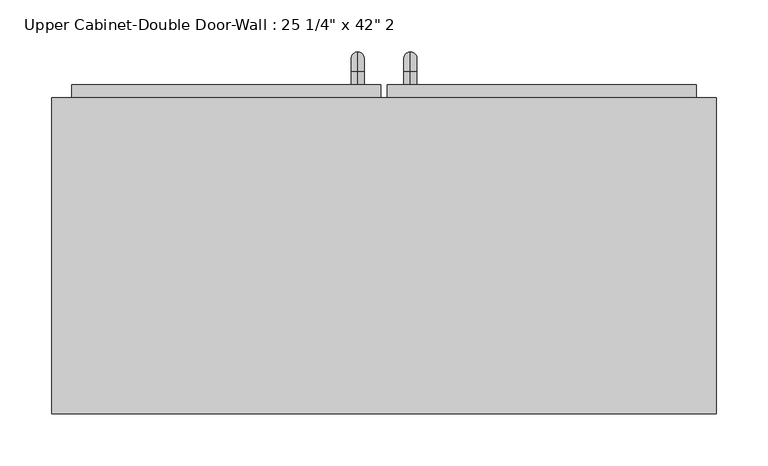
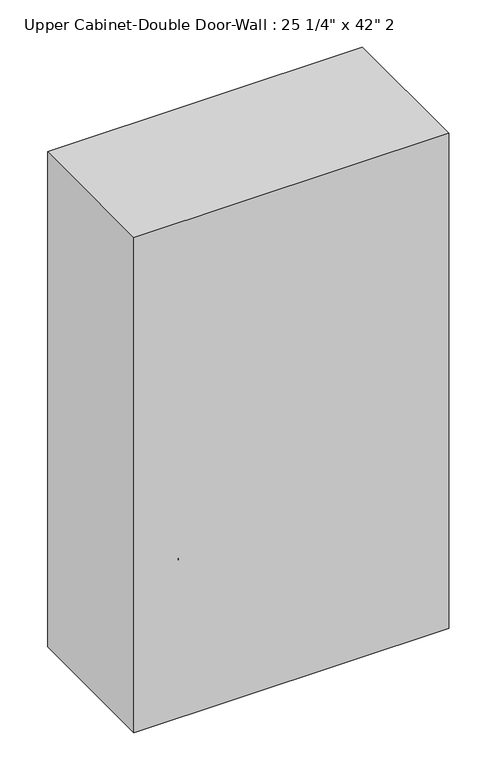
"""IFC4 building model written with IfcOpenShell, lengths in millimetres: furniture geometry."""

from ifc_helpers import new_model, si_unit, point, frame, origin, place, context, project, spatial, polyline, circle_curve, ellipse_curve, trimmed, outline, extrude, faceted_brep, source, transform, mapped, element, save
from ifc_brep_helpers import plane_surface, cylinder_surface, revolved_surface, advanced_brep


def furniture_73a1dfd1(model_context):
    return source(origin(), model_context, "Body", "SolidModel", [
        faceted_brep([(-290.9038372, 53.975, 2133.6), (-290.9038372, 53.975, 1066.8), (350.4461628, 53.975, 1066.8), (350.4461628, 53.975, 2133.6), (-290.9038372, 358.775, 2133.6), (350.4461628, 358.775, 2133.6), (350.4461628, 358.775, 1066.8), (-290.9038372, 358.775, 1066.8), (-271.8538372, 358.775, 2114.55), (-271.8538372, 358.775, 1085.85), (331.3961628, 358.775, 1085.85), (331.3961628, 358.775, 2114.55), (331.3961628, 73.025, 2114.55), (-271.8538372, 73.025, 2114.55), (331.3961628, 73.025, 1085.85), (-271.8538372, 73.025, 1085.85)], [[[0, 1, 2, 3]], [[4, 5, 6, 7], [8, 9, 10, 11]], [[1, 0, 4, 7]], [[2, 1, 7, 6]], [[3, 2, 6, 5]], [[0, 3, 5, 4]], [[8, 11, 12, 13]], [[11, 10, 14, 12]], [[10, 9, 15, 14]], [[9, 8, 13, 15]], [[13, 12, 14, 15]]]),
        advanced_brep(
        [(55.1711628, 371.475, 1212.85), (55.1711628, 371.475, 1225.55), (55.1711628, 384.175, 1212.85), (55.1711628, 384.175, 1225.55), (55.1711628, 403.225, 1206.5), (55.1711628, 390.525, 1206.5), (55.1711628, 390.525, 1130.3), (55.1711628, 403.225, 1130.3), (55.1711628, 384.175, 1111.25), (55.1711628, 384.175, 1123.95), (55.1711628, 371.475, 1123.95), (55.1711628, 371.475, 1111.25)],
        [
            (0, 1, circle_curve(frame((55.1711628, 371.475, 1219.2), z_axis=(0.0, -1.0, 0.0), x_axis=(0.0, 0.0, -1.0)), 6.35)),
            (1, 0, circle_curve(frame((55.1711628, 371.475, 1219.2), z_axis=(0.0, -1.0, 0.0), x_axis=(0.0, 0.0, -1.0)), 6.35)),
            (0, 2),
            (2, 3, circle_curve(frame((55.1711628, 384.175, 1219.2), z_axis=(0.0, -1.0, 0.0), x_axis=(0.0, 0.0, -1.0)), 6.35)),
            (3, 1),
            (3, 2, circle_curve(frame((55.1711628, 384.175, 1219.2), z_axis=(0.0, -1.0, 0.0), x_axis=(0.0, 0.0, -1.0)), 6.35)),
            (4, 3, circle_curve(frame((55.1711628, 384.175, 1206.5), z_axis=(1.0, 0.0, 0.0), x_axis=(0.0, 0.0, 1.0)), 19.05)),
            (2, 5, circle_curve(frame((55.1711628, 384.175, 1206.5), z_axis=(-1.0, 0.0, 0.0), x_axis=(0.0, 0.0, 1.0)), 6.35)),
            (5, 4, circle_curve(frame((55.1711628, 396.875, 1206.5), z_axis=(0.0, 0.0, 1.0), x_axis=(0.0, -1.0, 0.0)), 6.35)),
            (4, 5, circle_curve(frame((55.1711628, 396.875, 1206.5), z_axis=(0.0, 0.0, 1.0), x_axis=(0.0, -1.0, 0.0)), 6.35)),
            (5, 6),
            (6, 7, circle_curve(frame((55.1711628, 396.875, 1130.3), z_axis=(0.0, 0.0, 1.0), x_axis=(0.0, -1.0, 0.0)), 6.35)),
            (7, 4),
            (7, 6, circle_curve(frame((55.1711628, 396.875, 1130.3), z_axis=(0.0, 0.0, 1.0), x_axis=(0.0, -1.0, 0.0)), 6.35)),
            (8, 7, circle_curve(frame((55.1711628, 384.175, 1130.3), z_axis=(1.0, 0.0, 0.0), x_axis=(0.0, 1.0, 0.0)), 19.05)),
            (6, 9, circle_curve(frame((55.1711628, 384.175, 1130.3), z_axis=(-1.0, 0.0, 0.0), x_axis=(0.0, 1.0, 0.0)), 6.35)),
            (9, 8, circle_curve(frame((55.1711628, 384.175, 1117.6), z_axis=(0.0, 1.0, 0.0), x_axis=(0.0, 0.0, 1.0)), 6.35)),
            (8, 9, circle_curve(frame((55.1711628, 384.175, 1117.6), z_axis=(0.0, 1.0, 0.0), x_axis=(0.0, 0.0, 1.0)), 6.35)),
            (10, 11, circle_curve(frame((55.1711628, 371.475, 1117.6), z_axis=(0.0, -1.0, 0.0), x_axis=(0.0, 0.0, 1.0)), 6.35)),
            (11, 10, circle_curve(frame((55.1711628, 371.475, 1117.6), z_axis=(0.0, -1.0, 0.0), x_axis=(0.0, 0.0, 1.0)), 6.35)),
            (9, 10),
            (11, 8),
        ],
        [
            plane_surface(frame((48.8211628, 371.475, 1219.2), z_axis=(0.0, -1.0, 0.0), x_axis=(0.0, 0.0, 1.0))),
            cylinder_surface(frame((55.1711628, 371.475, 1219.2), z_axis=(0.0, -1.0, 0.0), x_axis=(0.0, 0.0, -1.0)), 6.35),
            revolved_surface(trimmed(ellipse_curve(frame((55.1711628, 384.175, 1219.2), z_axis=(0.0, -1.0, 0.0), x_axis=(0.0, 0.0, -1.0)), 6.35, 6.35), [point((55.1711628, 384.175, 1212.85))], [point((55.1711628, 384.175, 1225.55))], True, "CARTESIAN"), (55.1711628, 384.175, 1206.5), (-1.0, 0.0, 0.0)),
            revolved_surface(trimmed(ellipse_curve(frame((55.1711628, 384.175, 1219.2), z_axis=(0.0, -1.0, 0.0), x_axis=(0.0, 0.0, -1.0)), 6.35, 6.35), [point((55.1711628, 384.175, 1225.55))], [point((55.1711628, 384.175, 1212.85))], True, "CARTESIAN"), (55.1711628, 384.175, 1206.5), (-1.0, 0.0, 0.0)),
            cylinder_surface(frame((55.1711628, 396.875, 1206.5), z_axis=(0.0, 0.0, 1.0), x_axis=(0.0, -1.0, 0.0)), 6.35),
            revolved_surface(trimmed(ellipse_curve(frame((55.1711628, 396.875, 1130.3), z_axis=(0.0, 0.0, 1.0), x_axis=(0.0, -1.0, 0.0)), 6.35, 6.35), [point((55.1711628, 390.525, 1130.3))], [point((55.1711628, 403.225, 1130.3))], True, "CARTESIAN"), (55.1711628, 384.175, 1130.3), (-1.0, 0.0, 0.0)),
            revolved_surface(trimmed(ellipse_curve(frame((55.1711628, 396.875, 1130.3), z_axis=(0.0, 0.0, 1.0), x_axis=(0.0, -1.0, 0.0)), 6.35, 6.35), [point((55.1711628, 403.225, 1130.3))], [point((55.1711628, 390.525, 1130.3))], True, "CARTESIAN"), (55.1711628, 384.175, 1130.3), (-1.0, 0.0, 0.0)),
            plane_surface(frame((48.8211628, 371.475, 1117.6), z_axis=(0.0, -1.0, 0.0), x_axis=(0.0, 0.0, -1.0))),
            cylinder_surface(frame((55.1711628, 384.175, 1117.6), z_axis=(0.0, 1.0, 0.0), x_axis=(0.0, 0.0, 1.0)), 6.35),
        ],
        [
            (0, [[1, 2]]),
            (1, [[-1, 3, 4, 5]]),
            (1, [[-2, -5, 6, -3]]),
            (2, [[7, -4, 8, 9]]),
            (3, [[-8, -6, -7, 10]]),
            (4, [[-9, 11, 12, 13]]),
            (4, [[-10, -13, 14, -11]]),
            (5, [[15, -12, 16, 17]]),
            (6, [[-16, -14, -15, 18]]),
            (7, [[19, 20]]),
            (8, [[-17, 21, -20, 22]]),
            (8, [[-18, -22, -19, -21]]),
        ],
    ),
        advanced_brep(
        [(4.3711628, 371.475, 1212.85), (4.3711628, 371.475, 1225.55), (4.3711628, 384.175, 1212.85), (4.3711628, 384.175, 1225.55), (4.3711628, 403.225, 1206.5), (4.3711628, 390.525, 1206.5), (4.3711628, 390.525, 1130.3), (4.3711628, 403.225, 1130.3), (4.3711628, 384.175, 1111.25), (4.3711628, 384.175, 1123.95), (4.3711628, 371.475, 1123.95), (4.3711628, 371.475, 1111.25)],
        [
            (0, 1, circle_curve(frame((4.3711628, 371.475, 1219.2), z_axis=(0.0, -1.0, 0.0), x_axis=(0.0, 0.0, 1.0)), 6.35)),
            (1, 0, circle_curve(frame((4.3711628, 371.475, 1219.2), z_axis=(0.0, -1.0, 0.0), x_axis=(0.0, 0.0, 1.0)), 6.35)),
            (0, 2),
            (2, 3, circle_curve(frame((4.3711628, 384.175, 1219.2), z_axis=(0.0, -1.0, 0.0), x_axis=(0.0, 0.0, 1.0)), 6.35)),
            (3, 1),
            (3, 2, circle_curve(frame((4.3711628, 384.175, 1219.2), z_axis=(0.0, -1.0, 0.0), x_axis=(0.0, 0.0, 1.0)), 6.35)),
            (4, 3, circle_curve(frame((4.3711628, 384.175, 1206.5), z_axis=(1.0, 0.0, 0.0), x_axis=(0.0, 0.0, 1.0)), 19.05)),
            (2, 5, circle_curve(frame((4.3711628, 384.175, 1206.5), z_axis=(-1.0, 0.0, 0.0), x_axis=(0.0, 0.0, 1.0)), 6.35)),
            (5, 4, circle_curve(frame((4.3711628, 396.875, 1206.5), z_axis=(0.0, 0.0, 1.0), x_axis=(0.0, 1.0, 0.0)), 6.35)),
            (4, 5, circle_curve(frame((4.3711628, 396.875, 1206.5), z_axis=(0.0, 0.0, 1.0), x_axis=(0.0, 1.0, 0.0)), 6.35)),
            (5, 6),
            (6, 7, circle_curve(frame((4.3711628, 396.875, 1130.3), z_axis=(0.0, 0.0, 1.0), x_axis=(0.0, 1.0, 0.0)), 6.35)),
            (7, 4),
            (7, 6, circle_curve(frame((4.3711628, 396.875, 1130.3), z_axis=(0.0, 0.0, 1.0), x_axis=(0.0, 1.0, 0.0)), 6.35)),
            (8, 7, circle_curve(frame((4.3711628, 384.175, 1130.3), z_axis=(1.0, 0.0, 0.0), x_axis=(0.0, 1.0, 0.0)), 19.05)),
            (6, 9, circle_curve(frame((4.3711628, 384.175, 1130.3), z_axis=(-1.0, 0.0, 0.0), x_axis=(0.0, 1.0, 0.0)), 6.35)),
            (9, 8, circle_curve(frame((4.3711628, 384.175, 1117.6), z_axis=(0.0, 1.0, 0.0), x_axis=(0.0, 0.0, -1.0)), 6.35)),
            (8, 9, circle_curve(frame((4.3711628, 384.175, 1117.6), z_axis=(0.0, 1.0, 0.0), x_axis=(0.0, 0.0, -1.0)), 6.35)),
            (10, 11, circle_curve(frame((4.3711628, 371.475, 1117.6), z_axis=(0.0, -1.0, 0.0), x_axis=(0.0, 0.0, -1.0)), 6.35)),
            (11, 10, circle_curve(frame((4.3711628, 371.475, 1117.6), z_axis=(0.0, -1.0, 0.0), x_axis=(0.0, 0.0, -1.0)), 6.35)),
            (9, 10),
            (11, 8),
        ],
        [
            plane_surface(frame((-1.9788372, 371.475, 1219.2), z_axis=(0.0, -1.0, 0.0), x_axis=(0.0, 0.0, 1.0))),
            cylinder_surface(frame((4.3711628, 371.475, 1219.2), z_axis=(0.0, -1.0, 0.0), x_axis=(0.0, 0.0, 1.0)), 6.35),
            revolved_surface(trimmed(ellipse_curve(frame((4.3711628, 384.175, 1219.2), z_axis=(0.0, -1.0, 0.0), x_axis=(0.0, 0.0, 1.0)), 6.35, 6.35), [point((4.3711628, 384.175, 1212.85))], [point((4.3711628, 384.175, 1225.55))], True, "CARTESIAN"), (4.3711628, 384.175, 1206.5), (-1.0, 0.0, 0.0)),
            revolved_surface(trimmed(ellipse_curve(frame((4.3711628, 384.175, 1219.2), z_axis=(0.0, -1.0, 0.0), x_axis=(0.0, 0.0, 1.0)), 6.35, 6.35), [point((4.3711628, 384.175, 1225.55))], [point((4.3711628, 384.175, 1212.85))], True, "CARTESIAN"), (4.3711628, 384.175, 1206.5), (-1.0, 0.0, 0.0)),
            cylinder_surface(frame((4.3711628, 396.875, 1206.5), z_axis=(0.0, 0.0, 1.0), x_axis=(0.0, 1.0, 0.0)), 6.35),
            revolved_surface(trimmed(ellipse_curve(frame((4.3711628, 396.875, 1130.3), z_axis=(0.0, 0.0, 1.0), x_axis=(0.0, 1.0, 0.0)), 6.35, 6.35), [point((4.3711628, 390.525, 1130.3))], [point((4.3711628, 403.225, 1130.3))], True, "CARTESIAN"), (4.3711628, 384.175, 1130.3), (-1.0, 0.0, 0.0)),
            revolved_surface(trimmed(ellipse_curve(frame((4.3711628, 396.875, 1130.3), z_axis=(0.0, 0.0, 1.0), x_axis=(0.0, 1.0, 0.0)), 6.35, 6.35), [point((4.3711628, 403.225, 1130.3))], [point((4.3711628, 390.525, 1130.3))], True, "CARTESIAN"), (4.3711628, 384.175, 1130.3), (-1.0, 0.0, 0.0)),
            plane_surface(frame((-1.9788372, 371.475, 1117.6), z_axis=(0.0, -1.0, 0.0), x_axis=(0.0, 0.0, -1.0))),
            cylinder_surface(frame((4.3711628, 384.175, 1117.6), z_axis=(0.0, 1.0, 0.0), x_axis=(0.0, 0.0, -1.0)), 6.35),
        ],
        [
            (0, [[1, 2]]),
            (1, [[-1, 3, 4, 5]]),
            (1, [[-2, -5, 6, -3]]),
            (2, [[7, -4, 8, 9]]),
            (3, [[-8, -6, -7, 10]]),
            (4, [[-9, 11, 12, 13]]),
            (4, [[-10, -13, 14, -11]]),
            (5, [[15, -12, 16, 17]]),
            (6, [[-16, -14, -15, 18]]),
            (7, [[19, 20]]),
            (8, [[-17, 21, -20, 22]]),
            (8, [[-18, -22, -19, -21]]),
        ],
    ),
        extrude(outline(polyline([(32.9461628, 371.475), (331.3961628, 371.475), (331.3961628, 339.725), (32.9461628, 339.725), (32.9461628, 371.475)])), frame((0.0, 0.0, 1085.85), z_axis=(0.0, 0.0, 1.0), x_axis=(1.0, 0.0, 0.0)), (0.0, 0.0, 1.0), 1028.7),
        extrude(outline(polyline([(-271.8538372, 371.475), (26.5961628, 371.475), (26.5961628, 339.725), (-271.8538372, 339.725), (-271.8538372, 371.475)])), frame((0.0, 0.0, 1085.85), z_axis=(0.0, 0.0, 1.0), x_axis=(1.0, 0.0, 0.0)), (0.0, 0.0, 1.0), 1028.7),
    ])


if __name__ == "__main__":
    model = new_model("IFC4")
    model_context = context("Model", 3, world=origin())
    ifc_project = project(units=[si_unit("LENGTHUNIT", "METRE", prefix="MILLI")], contexts=[model_context])
    site = spatial("IfcSite", under=ifc_project)
    building = spatial("IfcBuilding", under=site)
    placement = place(None, origin())
    furniture_shape = furniture_73a1dfd1(model_context)
    element("IfcFurniture", 1, ObjectType="Upper Cabinet-Double Door-Wall : 25 1/4\" x 42\" 2", at=placement, inside=building, context=model_context, shape_type="MappedRepresentation", body=[
        mapped(furniture_shape, transform((0.0, 0.0, 0.0), x_axis=(1.0, 0.0, 0.0), y_axis=(0.0, 1.0, 0.0), z_axis=(0.0, 0.0, 1.0))),
    ])
    save(model, "model.ifc")
